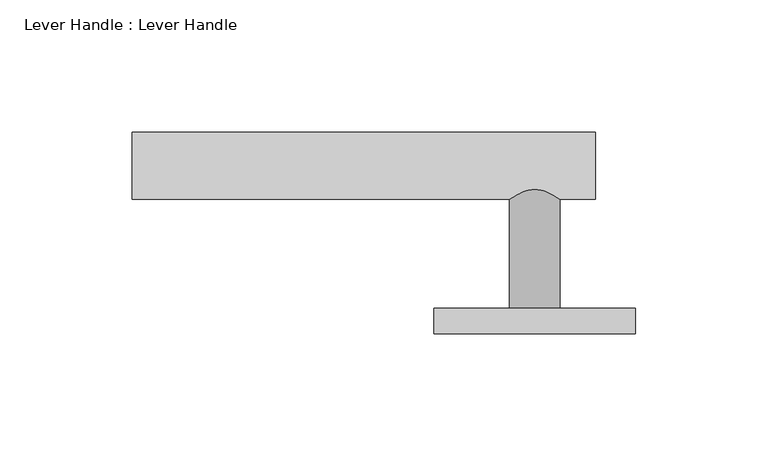
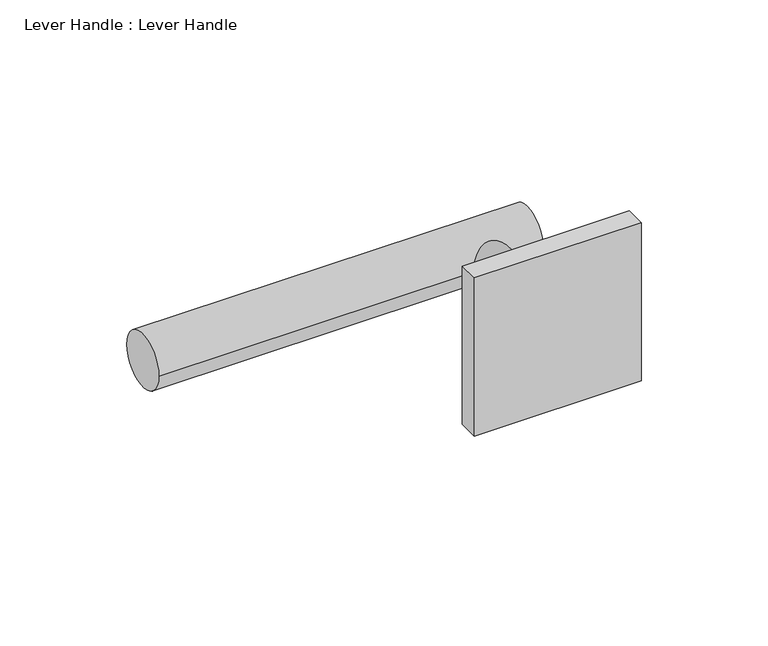
"""IFC4 building model written with IfcOpenShell, lengths in millimetres: proxy geometry, Lever Handle : Lever Handle."""

from ifc_helpers import new_model, si_unit, point, frame, frame_2d, origin, origin_2d, place, context, project, spatial, polyline, circle_curve, trimmed, segment, composite_curve, outline, extrude, source, transform, mapped, element, save


def lever_handle_lever_handle_ed55c452(model_context):
    return source(origin(), model_context, "Body", "SweptSolid", [
        extrude(outline(composite_curve([segment(trimmed(circle_curve(frame_2d((63.5, 0.0)), 12.7), [point((50.8, 0.0))], [point((76.2, 0.0))], False, "CARTESIAN"), True, "CONTINUOUS"), segment(trimmed(circle_curve(frame_2d((63.5, 0.0)), 12.7), [point((76.2, 0.0))], [point((50.8, 0.0))], False, "CARTESIAN"), True, "CONTINUOUS")], self_intersect=False)), frame((-152.4, 0.0, 0.0), z_axis=(1.0, 0.0, 0.0), x_axis=(0.0, 1.0, 0.0)), (0.0, 0.0, 1.0), 175.3000987),
        extrude(outline(composite_curve([segment(trimmed(circle_curve(origin_2d(), 9.525), [point((0.0, -9.525))], [point((0.0, 9.525))], False, "CARTESIAN"), True, "CONTINUOUS"), segment(trimmed(circle_curve(origin_2d(), 9.525), [point((0.0, 9.525))], [point((0.0, -9.525))], False, "CARTESIAN"), True, "CONTINUOUS")], self_intersect=False)), frame((0.0, 9.525, 0.0), z_axis=(0.0, 1.0, 0.0), x_axis=(0.0, 0.0, 1.0)), (0.0, 0.0, 1.0), 53.975),
        extrude(outline(polyline([(38.1, 9.525), (38.1, 0.0), (-38.1, 0.0), (-38.1, 9.525), (38.1, 9.525)])), frame((0.0, 0.0, -38.1), z_axis=(0.0, 0.0, 1.0), x_axis=(1.0, 0.0, 0.0)), (0.0, 0.0, 1.0), 76.2),
    ])


if __name__ == "__main__":
    model = new_model("IFC4")
    model_context = context("Model", 3, world=origin())
    ifc_project = project(units=[si_unit("LENGTHUNIT", "METRE", prefix="MILLI")], contexts=[model_context])
    site = spatial("IfcSite", under=ifc_project)
    building = spatial("IfcBuilding", under=site)
    placement = place(None, origin())
    lever_handle_lever_handle_shape = lever_handle_lever_handle_ed55c452(model_context)
    element("IfcBuildingElementProxy", 1, Name="Lever Handle : Lever Handle", ObjectType="Lever Handle : Lever Handle", at=placement, inside=building, context=model_context, shape_type="MappedRepresentation", body=[
        mapped(lever_handle_lever_handle_shape, transform((0.0, 0.0, 0.0), x_axis=(1.0, 0.0, 0.0), y_axis=(0.0, 1.0, 0.0), z_axis=(0.0, 0.0, 1.0))),
    ])
    save(model, "model.ifc")
